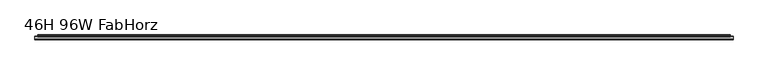
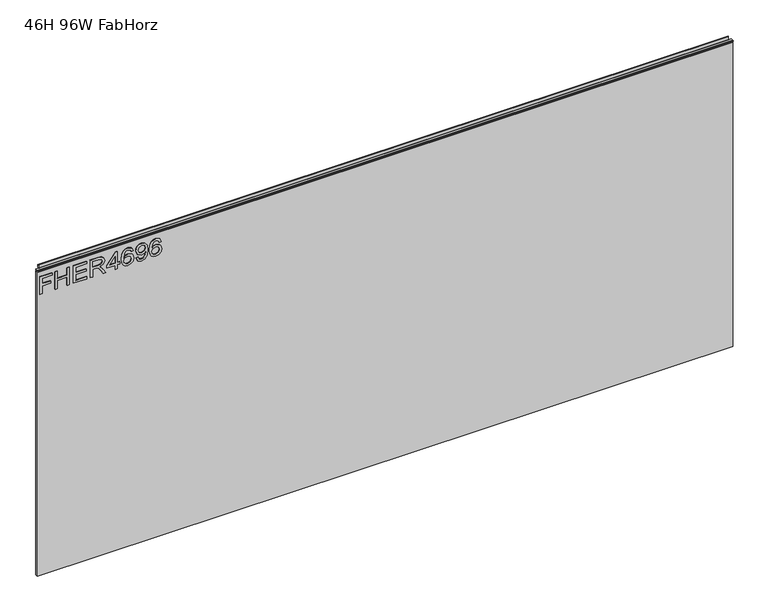
"""IFC4 building model written with IfcOpenShell, lengths in millimetres: furniture geometry, 46H 96W FabHorz."""

from ifc_helpers import new_model, si_unit, frame, origin, place, context, project, spatial, polyline, outline, extrude, source, transform, mapped, element, save


def furniture_46h_96w_fabhorz_36a66534(model_context):
    return source(origin(), model_context, "Body", "SweptSolid", [
        extrude(outline(polyline([(1053.0078, -291.2189953), (1053.0078, -283.2452757), (1081.9125336, -283.2452757), (1081.9125336, -253.3438271), (1089.8862532, -253.3438271), (1089.8862532, -283.2452757), (1108.8238373, -283.2452757), (1108.8238373, -248.3602524), (1116.7975569, -248.3602524), (1116.7975569, -291.2189953), (1053.0078, -291.2189953)])), frame((0.0, -5.5562439, 0.0), z_axis=(0.0, 1.0, 0.0), x_axis=(0.0, 0.0, 1.0)), (0.0, 0.0, 1.0), 2.38125),
        extrude(outline(polyline([(1053.0078, -237.3963879), (1053.0078, -229.4226683), (1082.9092486, -229.4226683), (1082.9092486, -195.5343599), (1053.0078, -195.5343599), (1053.0078, -187.5606403), (1116.7975569, -187.5606403), (1116.7975569, -195.5343599), (1090.8829682, -195.5343599), (1090.8829682, -229.4226683), (1116.7975569, -229.4226683), (1116.7975569, -237.3963879), (1053.0078, -237.3963879)])), frame((0.0, -5.5562439, 0.0), z_axis=(0.0, 1.0, 0.0), x_axis=(0.0, 0.0, 1.0)), (0.0, 0.0, 1.0), 2.38125),
        extrude(outline(polyline([(1053.0078, -173.606631), (1053.0078, -126.7610282), (1060.9815196, -126.7610282), (1060.9815196, -165.6329113), (1081.9125336, -165.6329113), (1081.9125336, -129.7511731), (1089.8862532, -129.7511731), (1089.8862532, -165.6329113), (1108.8238373, -165.6329113), (1108.8238373, -127.7577432), (1116.7975569, -127.7577432), (1116.7975569, -173.606631), (1053.0078, -173.606631)])), frame((0.0, -5.5562439, 0.0), z_axis=(0.0, 1.0, 0.0), x_axis=(0.0, 0.0, 1.0)), (0.0, 0.0, 1.0), 2.38125),
        extrude(outline(polyline([(1053.0078, -114.8004488), (1053.0078, -106.8267292), (1080.9158187, -106.8267292), (1080.9158187, -97.2022004), (1080.6354926, -92.5768201), (1079.1170596, -88.7846312), (1074.98225, -84.5719531), (1066.2298468, -78.5760897), (1053.0078, -70.275323), (1053.0078, -61.0089887), (1070.294575, -71.6458061), (1078.5018996, -78.1088796), (1081.9125336, -82.6408179), (1087.8461023, -69.2863949), (1099.3394716, -64.9647012), (1108.9873609, -67.5732911), (1115.0766663, -74.5502957), (1116.7975569, -87.3129192), (1116.7975569, -114.8004488), (1053.0078, -114.8004488)]), holes=[polyline([(1088.8895383, -106.8267292), (1108.8238373, -106.8267292), (1108.8238373, -86.9702985), (1106.0672975, -76.3101206), (1099.0435719, -72.9384208), (1093.6317211, -74.7060325), (1090.0186294, -79.8764913), (1088.8895383, -88.9793021), (1088.8895383, -106.8267292)])]), frame((0.0, -5.5562439, 0.0), z_axis=(0.0, 1.0, 0.0), x_axis=(0.0, 0.0, 1.0)), (0.0, 0.0, 1.0), 2.38125),
        extrude(outline(polyline([(1053.0078, -28.0862479), (1053.0078, -20.1125283), (1067.9585243, -20.1125283), (1067.9585243, -12.1388087), (1075.9322439, -12.1388087), (1075.9322439, -20.1125283), (1115.800842, -20.1125283), (1115.800842, -26.092818), (1075.9322439, -56.9909816), (1067.9585243, -56.9909816), (1067.9585243, -28.0862479), (1053.0078, -28.0862479)]), holes=[polyline([(1075.9322439, -28.0862479), (1075.9322439, -47.1795687), (1100.5697916, -28.0862479), (1075.9322439, -28.0862479)])]), frame((0.0, -5.5562439, 0.0), z_axis=(0.0, 1.0, 0.0), x_axis=(0.0, 0.0, 1.0)), (0.0, 0.0, 1.0), 2.38125),
        extrude(outline(polyline([(1099.8534028, 35.703509), (1112.296766, 29.8166613), (1116.7975569, 17.2175614), (1114.9793308, 7.9629073), (1109.5246525, 0.8184857), (1098.6659103, -4.4142678), (1082.7846592, -6.158519), (1068.6593395, -4.5875249), (1059.1749738, 0.1254573), (1053.8020572, 7.3302269), (1052.011085, 16.3765831), (1054.713117, 26.8265165), (1062.4999526, 34.0682735), (1073.5027512, 36.700224), (1081.6750351, 35.302487), (1088.1887231, 31.109276), (1093.873113, 17.5601821), (1091.7940279, 8.8467131), (1085.4321833, 1.8152006), (1099.6431582, 4.0811698), (1106.8927021, 9.5241678), (1108.8238373, 16.7192039), (1105.5066454, 24.7084972), (1098.8566878, 27.7297894), (1099.8534028, 35.703509)]), holes=[polyline([(1073.6273406, 1.8152006), (1082.51212, 5.7786999), (1085.8993934, 15.4265892), (1082.51212, 25.1990678), (1073.2379988, 28.7265043), (1063.5511754, 25.1523468), (1059.9848047, 15.7536363), (1061.7056953, 8.5663871), (1066.7204174, 3.6606807), (1073.6273406, 1.8152006)])]), frame((0.0, -5.5562439, 0.0), z_axis=(0.0, 1.0, 0.0), x_axis=(0.0, 0.0, 1.0)), (0.0, 0.0, 1.0), 2.38125),
        extrude(outline(polyline([(1068.9552392, 44.6739436), (1056.4573682, 50.3894809), (1052.011085, 62.6459601), (1055.7799135, 74.9569471), (1066.7515648, 82.8761589), (1086.1174248, 85.5392566), (1103.9648519, 82.868372), (1113.4647913, 75.0503891), (1116.7975569, 63.689396), (1115.3375253, 55.8149586), (1110.9574303, 49.3849791), (1104.1828833, 45.1041662), (1095.5394959, 43.6772286), (1080.6043452, 49.1202267), (1074.9355289, 62.4435023), (1077.2560059, 71.1881187), (1081.7412232, 77.612258), (1072.4904626, 76.4598064), (1065.5601789, 73.8512164), (1061.5032376, 69.4750149), (1059.9848047, 63.0197282), (1062.3442158, 56.2296076), (1069.9519542, 52.6476632), (1068.9552392, 44.6739436)]), holes=[polyline([(1095.7263799, 77.565537), (1086.3120957, 73.9602321), (1082.9092486, 64.7639793), (1086.3120957, 55.1861716), (1095.1501541, 51.6509482), (1105.0160747, 55.3886293), (1108.8238373, 64.9820107), (1105.288614, 74.1237557), (1095.7263799, 77.565537)])]), frame((0.0, -5.5562439, 0.0), z_axis=(0.0, 1.0, 0.0), x_axis=(0.0, 0.0, 1.0)), (0.0, 0.0, 1.0), 2.38125),
        extrude(outline(polyline([(1099.8534028, 133.3815743), (1112.296766, 127.4947266), (1116.7975569, 114.8956267), (1114.9793308, 105.6409726), (1109.5246525, 98.496551), (1098.6659103, 93.2637975), (1082.7846592, 91.5195463), (1068.6593395, 93.0905404), (1059.1749738, 97.8035226), (1053.8020572, 105.0082922), (1052.011085, 114.0546485), (1054.713117, 124.5045818), (1062.4999526, 131.7463389), (1073.5027512, 134.3782893), (1081.6750351, 132.9805523), (1088.1887231, 128.7873413), (1093.873113, 115.2382475), (1091.7940279, 106.5247785), (1085.4321833, 99.493266), (1099.6431582, 101.7592351), (1106.8927021, 107.2022332), (1108.8238373, 114.3972692), (1105.5066454, 122.3865625), (1098.8566878, 125.4078547), (1099.8534028, 133.3815743)]), holes=[polyline([(1073.6273406, 99.493266), (1082.51212, 103.4567653), (1085.8993934, 113.1046545), (1082.51212, 122.8771332), (1073.2379988, 126.4045697), (1063.5511754, 122.8304121), (1059.9848047, 113.4317016), (1061.7056953, 106.2444524), (1066.7204174, 101.338746), (1073.6273406, 99.493266)])]), frame((0.0, -5.5562439, 0.0), z_axis=(0.0, 1.0, 0.0), x_axis=(0.0, 0.0, 1.0)), (0.0, 0.0, 1.0), 2.38125),
        extrude(outline(polyline([(5.5562561, 1143.0), (6.3500061, 1143.0), (6.3500061, 1152.87425), (7.1437561, 1153.668), (8.6677569, 1153.668), (10.0084363, 1153.2506926), (10.875413, 1152.1461816), (10.9623604, 1150.7447591), (10.2390011, 1147.7863459), (10.4046103, 1146.5833307), (11.6746103, 1144.3836103), (10.7786383, 1143.8663244), (7.1437561, 1143.8663244), (7.1437561, 1143.0), (6.3500061, 1142.7669239), (6.3500061, 1135.5578), (5.5562561, 1135.5578), (5.5562561, 1143.0)])), frame((-288.671, 0.0, 0.0), z_axis=(1.0, 0.0, 0.0), x_axis=(0.0, 1.0, 0.0)), (0.0, 0.0, 1.0), 2406.142),
        extrude(outline(polyline([(5.5562561, 1143.0), (5.5562561, 1139.8249996), (-3.975094, 1139.8249996), (-5.3492339, 1140.6183657), (-5.3492339, 1142.2066395), (-3.9751037, 1143.0), (5.5562561, 1143.0)])), frame((-298.196, 0.0, 0.0), z_axis=(1.0, 0.0, 0.0), x_axis=(0.0, 1.0, 0.0)), (0.0, 0.0, 1.0), 2425.192),
        extrude(outline(polyline([(2126.996, 6.3500061), (2126.996, -3.1749939), (-298.196, -3.1749939), (-298.196, 6.3500061), (2126.996, 6.3500061)])), frame((0.0, 0.0, 13.5381927), z_axis=(0.0, 0.0, 1.0), x_axis=(1.0, 0.0, 0.0)), (0.0, 0.0, 1.0), 1122.0196073),
    ])


if __name__ == "__main__":
    model = new_model("IFC4")
    model_context = context("Model", 3, world=origin())
    ifc_project = project(units=[si_unit("LENGTHUNIT", "METRE", prefix="MILLI")], contexts=[model_context])
    site = spatial("IfcSite", under=ifc_project)
    building = spatial("IfcBuilding", under=site)
    placement = place(None, origin())
    furniture_46h_96w_fabhorz_shape = furniture_46h_96w_fabhorz_36a66534(model_context)
    element("IfcFurniture", 1, ObjectType="46H 96W FabHorz", at=placement, inside=building, context=model_context, shape_type="MappedRepresentation", body=[
        mapped(furniture_46h_96w_fabhorz_shape, transform((0.0, 0.0, 0.0), x_axis=(1.0, 0.0, 0.0), y_axis=(0.0, 1.0, 0.0), z_axis=(0.0, 0.0, 1.0))),
    ])
    save(model, "model.ifc")
